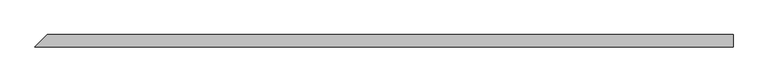
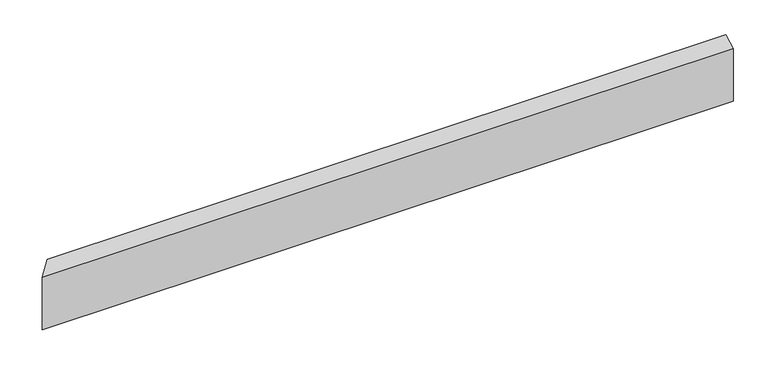
"""IFC4 building model written with IfcOpenShell, lengths in millimetres: beam geometry."""

from ifc_helpers import new_model, si_unit, origin, place, context, project, spatial, faceted_brep, source, transform, mapped, element, save


def beam_38ec45e6(model_context):
    return source(origin(), model_context, "Body", "Brep", [
        faceted_brep([(608.61369, -11.0, 55.8), (-619.61369, -11.0, 55.8), (-619.61369, -11.0, -42.9666667), (608.61369, -11.0, -42.9666667), (608.61369, 11.0, 68.6333333), (608.61369, 11.0, -42.9666667), (-597.61369, 11.0, -42.9666667), (-597.61369, 11.0, 68.6333333)], [[[0, 1, 2, 3]], [[4, 5, 6, 7]], [[5, 4, 0, 3]], [[6, 5, 3, 2]], [[7, 6, 2, 1]], [[4, 7, 1, 0]]]),
    ])


if __name__ == "__main__":
    model = new_model("IFC4")
    model_context = context("Model", 3, world=origin())
    ifc_project = project(units=[si_unit("LENGTHUNIT", "METRE", prefix="MILLI")], contexts=[model_context])
    site = spatial("IfcSite", under=ifc_project)
    building = spatial("IfcBuilding", under=site)
    placement = place(None, origin())
    beam_shape = beam_38ec45e6(model_context)
    element("IfcBeam", 1, at=placement, inside=building, context=model_context, shape_type="MappedRepresentation", body=[
        mapped(beam_shape, transform((0.0, 0.0, 0.0), x_axis=(1.0, 0.0, 0.0), y_axis=(0.0, 1.0, 0.0), z_axis=(0.0, 0.0, 1.0))),
    ])
    save(model, "model.ifc")
